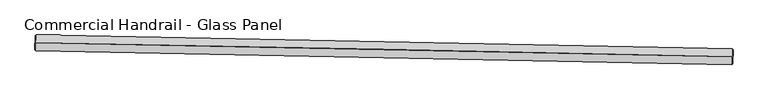
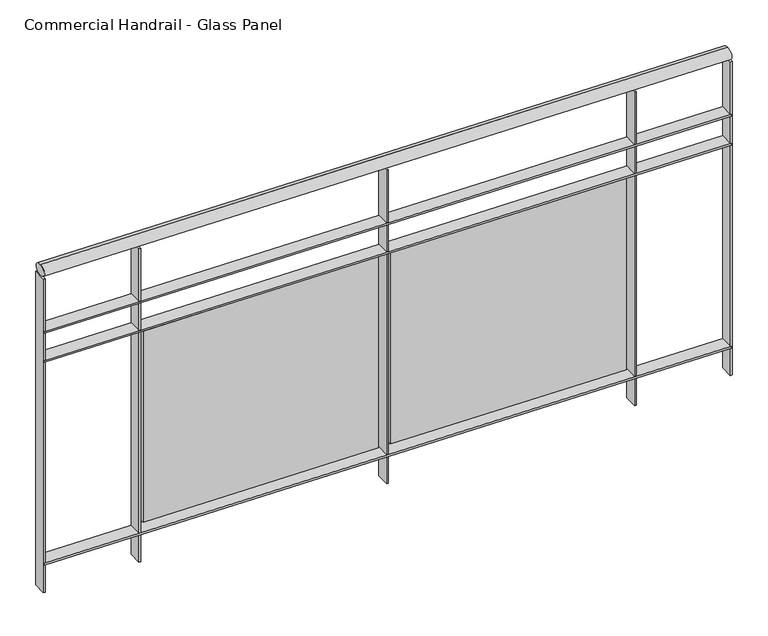
"""IFC4 building model written with IfcOpenShell, lengths in millimetres: railing geometry, Commercial Handrail - Glass Panel."""

from ifc_helpers import new_model, si_unit, point, frame, origin, place, context, project, spatial, polyline, circle_curve, ellipse_curve, trimmed, outline, extrude, source, transform, mapped, element, save
from ifc_brep_helpers import plane_surface, cylinder_surface, revolved_surface, advanced_brep


def commercial_handrail_glass_panel_a0a80586(model_context):
    return source(origin(), model_context, "Body", "SolidModel", [
        advanced_brep(
        [(109450.0847955, -31519.7385661, 16282.5), (111668.0683441, -31564.3090244, 16282.5), (111668.0683441, -31564.3090244, 16317.5), (109450.0847955, -31519.7385661, 16317.5)],
        [
            (0, 1, circle_curve(frame((103958.1605732, -360026.9365691, 16282.5), z_axis=(0.0, 0.0, -1.0), x_axis=(0.023466245609922713, 0.9997246297440985, 0.0)), 328553.1012963)),
            (1, 2, ellipse_curve(frame((111668.0683441, -31564.3090244, 16300.0), z_axis=(-0.9997246297440988, 0.02346624560991631, 0.0), x_axis=(0.0234662456099163, 0.9997246297440986, 0.0)), 25.0, 17.5)),
            (2, 3, circle_curve(frame((103958.1605732, -360026.9365691, 16317.5), z_axis=(0.0, 0.0, 1.0), x_axis=(0.023466245609922713, 0.9997246297440985, 0.0)), 328553.1012963)),
            (3, 0, ellipse_curve(frame((109450.0847955, -31519.7385661, 16300.0), z_axis=(0.999860286531577, -0.016715484348137827, 0.0), x_axis=(0.016715484348137827, 0.999860286531577, 0.0)), 25.0, 17.5)),
            (2, 1, ellipse_curve(frame((111668.0683441, -31564.3090244, 16300.0), z_axis=(-0.9997246297440988, 0.02346624560991631, 0.0), x_axis=(0.0234662456099163, 0.9997246297440986, 0.0)), 25.0, 17.5)),
            (0, 3, ellipse_curve(frame((109450.0847955, -31519.7385661, 16300.0), z_axis=(0.999860286531577, -0.016715484348137827, 0.0), x_axis=(0.016715484348137827, 0.999860286531577, 0.0)), 25.0, 17.5)),
        ],
        [
            revolved_surface(trimmed(ellipse_curve(frame((111668.0683441, -31564.3090244, 16300.0), z_axis=(0.9997246297440985, -0.023466245609922713, 0.0), x_axis=(0.0, 0.0, -1.0)), 17.5, 25.0), [point((111668.0683441, -31564.3090244, 16317.5))], [point((111668.0683441, -31564.3090244, 16282.5))], True, "CARTESIAN"), (103958.1605732, -360026.9365691, 16300.0), (0.0, 0.0, 1.0)),
            revolved_surface(trimmed(ellipse_curve(frame((111668.0683441, -31564.3090244, 16300.0), z_axis=(0.9997246297440985, -0.023466245609922713, 0.0), x_axis=(0.0, 0.0, -1.0)), 17.5, 25.0), [point((111668.0683441, -31564.3090244, 16282.5))], [point((111668.0683441, -31564.3090244, 16317.5))], True, "CARTESIAN"), (103958.1605732, -360026.9365691, 16300.0), (0.0, 0.0, 1.0)),
            plane_surface(frame((111668.0683441, -31564.3090244, 16300.0), z_axis=(0.9997246297440986, -0.023466245609922713, 0.0), x_axis=(0.023466245609922713, 0.9997246297440986, 0.0))),
            plane_surface(frame((109450.0847955, -31519.7385661, 16300.0), z_axis=(-0.999860286531577, 0.016715484348137813, 0.0), x_axis=(0.016715484348137813, 0.999860286531577, 0.0))),
        ],
        [
            (0, [[1, 2, 3, 4]]),
            (1, [[-3, 5, -1, 6]]),
            (2, [[-2, -5]]),
            (3, [[-6, -4]]),
        ],
    ),
        advanced_brep(
        [(109449.7086971, -31542.2354226, 16100.0), (111667.5403536, -31586.8028285, 16100.0), (111668.5963347, -31541.8152202, 16100.0), (109450.4608939, -31497.2417097, 16100.0), (109449.7086971, -31542.2354226, 16094.0), (111667.5403536, -31586.8028285, 16094.0), (109450.4608939, -31497.2417097, 16094.0), (111668.5963347, -31541.8152202, 16094.0)],
        [
            (0, 1, circle_curve(frame((103958.1605732, -360026.9365691, 16100.0), z_axis=(0.0, 0.0, -1.0), x_axis=(0.023466245609922713, 0.9997246297440985, 0.0)), 328530.6012963)),
            (1, 2),
            (2, 3, circle_curve(frame((103958.1605732, -360026.9365691, 16100.0), z_axis=(0.0, 0.0, 1.0), x_axis=(0.023466245609922713, 0.9997246297440985, 0.0)), 328575.6012963)),
            (3, 0),
            (4, 5, circle_curve(frame((103958.1605732, -360026.9365691, 16094.0), z_axis=(0.0, 0.0, -1.0), x_axis=(0.023466245609922713, 0.9997246297440985, 0.0)), 328530.6012963)),
            (5, 1),
            (0, 4),
            (6, 7, circle_curve(frame((103958.1605732, -360026.9365691, 16094.0), z_axis=(0.0, 0.0, -1.0), x_axis=(0.023466245609922713, 0.9997246297440985, 0.0)), 328575.6012963)),
            (7, 5),
            (4, 6),
            (2, 7),
            (6, 3),
        ],
        [
            plane_surface(frame((103958.1605732, -360026.9365691, 16100.0), z_axis=(0.0, 0.0, 1.0), x_axis=(0.023466245609922713, 0.9997246297440985, 0.0))),
            revolved_surface(polyline([(111667.54035359457, -31586.802828550455, 16100.0), (111667.54035359457, -31586.802828550455, 16094.0)]), (103958.1605732, -360026.9365691, 16100.0), (0.0, 0.0, 1.0)),
            plane_surface(frame((103958.1605732, -360026.9365691, 16094.0), z_axis=(0.0, 0.0, -1.0), x_axis=(0.023466245609922713, 0.9997246297440985, 0.0))),
            cylinder_surface(frame((103958.1605732, -360026.9365691, 16100.0), z_axis=(0.0, 0.0, 1.0), x_axis=(0.023466245609922713, 0.9997246297440985, 0.0)), 328575.6012963),
            plane_surface(frame((111668.0683441, -31564.3090244, 16100.0), z_axis=(0.9997246297440986, -0.023466245609922713, 0.0), x_axis=(0.023466245609922713, 0.9997246297440986, 0.0))),
            plane_surface(frame((109450.0847955, -31519.7385661, 16100.0), z_axis=(-0.999860286531577, 0.016715484348137813, 0.0), x_axis=(0.016715484348137813, 0.999860286531577, 0.0))),
        ],
        [
            (0, [[1, 2, 3, 4]]),
            (1, [[5, 6, -1, 7]]),
            (2, [[8, 9, -5, 10]]),
            (3, [[-3, 11, -8, 12]]),
            (4, [[-2, -6, -9, -11]]),
            (5, [[-12, -10, -7, -4]]),
        ],
    ),
        advanced_brep(
        [(109449.7086971, -31542.2354226, 16000.0), (111667.5403536, -31586.8028285, 16000.0), (111668.5963347, -31541.8152202, 16000.0), (109450.4608939, -31497.2417097, 16000.0), (109449.7086971, -31542.2354226, 15994.0), (111667.5403536, -31586.8028285, 15994.0), (109450.4608939, -31497.2417097, 15994.0), (111668.5963347, -31541.8152202, 15994.0)],
        [
            (0, 1, circle_curve(frame((103958.1605732, -360026.9365691, 16000.0), z_axis=(0.0, 0.0, -1.0), x_axis=(0.023466245609922713, 0.9997246297440985, 0.0)), 328530.6012963)),
            (1, 2),
            (2, 3, circle_curve(frame((103958.1605732, -360026.9365691, 16000.0), z_axis=(0.0, 0.0, 1.0), x_axis=(0.023466245609922713, 0.9997246297440985, 0.0)), 328575.6012963)),
            (3, 0),
            (4, 5, circle_curve(frame((103958.1605732, -360026.9365691, 15994.0), z_axis=(0.0, 0.0, -1.0), x_axis=(0.023466245609922713, 0.9997246297440985, 0.0)), 328530.6012963)),
            (5, 1),
            (0, 4),
            (6, 7, circle_curve(frame((103958.1605732, -360026.9365691, 15994.0), z_axis=(0.0, 0.0, -1.0), x_axis=(0.023466245609922713, 0.9997246297440985, 0.0)), 328575.6012963)),
            (7, 5),
            (4, 6),
            (2, 7),
            (6, 3),
        ],
        [
            plane_surface(frame((103958.1605732, -360026.9365691, 16000.0), z_axis=(0.0, 0.0, 1.0), x_axis=(0.023466245609922713, 0.9997246297440985, 0.0))),
            revolved_surface(polyline([(111667.54035359457, -31586.802828550455, 16000.0), (111667.54035359457, -31586.802828550455, 15994.0)]), (103958.1605732, -360026.9365691, 16000.0), (0.0, 0.0, 1.0)),
            plane_surface(frame((103958.1605732, -360026.9365691, 15994.0), z_axis=(0.0, 0.0, -1.0), x_axis=(0.023466245609922713, 0.9997246297440985, 0.0))),
            cylinder_surface(frame((103958.1605732, -360026.9365691, 16000.0), z_axis=(0.0, 0.0, 1.0), x_axis=(0.023466245609922713, 0.9997246297440985, 0.0)), 328575.6012963),
            plane_surface(frame((111668.0683441, -31564.3090244, 16000.0), z_axis=(0.9997246297440986, -0.023466245609922713, 0.0), x_axis=(0.023466245609922713, 0.9997246297440986, 0.0))),
            plane_surface(frame((109450.0847955, -31519.7385661, 16000.0), z_axis=(-0.999860286531577, 0.016715484348137813, 0.0), x_axis=(0.016715484348137813, 0.999860286531577, 0.0))),
        ],
        [
            (0, [[1, 2, 3, 4]]),
            (1, [[5, 6, -1, 7]]),
            (2, [[8, 9, -5, 10]]),
            (3, [[-3, 11, -8, 12]]),
            (4, [[-2, -6, -9, -11]]),
            (5, [[-12, -10, -7, -4]]),
        ],
    ),
        advanced_brep(
        [(109449.7086971, -31542.2354226, 15300.0), (111667.5403536, -31586.8028285, 15300.0), (111668.5963347, -31541.8152202, 15300.0), (109450.4608939, -31497.2417097, 15300.0), (109449.7086971, -31542.2354226, 15294.0), (111667.5403536, -31586.8028285, 15294.0), (109450.4608939, -31497.2417097, 15294.0), (111668.5963347, -31541.8152202, 15294.0)],
        [
            (0, 1, circle_curve(frame((103958.1605732, -360026.9365691, 15300.0), z_axis=(0.0, 0.0, -1.0), x_axis=(0.023466245609922713, 0.9997246297440985, 0.0)), 328530.6012963)),
            (1, 2),
            (2, 3, circle_curve(frame((103958.1605732, -360026.9365691, 15300.0), z_axis=(0.0, 0.0, 1.0), x_axis=(0.023466245609922713, 0.9997246297440985, 0.0)), 328575.6012963)),
            (3, 0),
            (4, 5, circle_curve(frame((103958.1605732, -360026.9365691, 15294.0), z_axis=(0.0, 0.0, -1.0), x_axis=(0.023466245609922713, 0.9997246297440985, 0.0)), 328530.6012963)),
            (5, 1),
            (0, 4),
            (6, 7, circle_curve(frame((103958.1605732, -360026.9365691, 15294.0), z_axis=(0.0, 0.0, -1.0), x_axis=(0.023466245609922713, 0.9997246297440985, 0.0)), 328575.6012963)),
            (7, 5),
            (4, 6),
            (2, 7),
            (6, 3),
        ],
        [
            plane_surface(frame((103958.1605732, -360026.9365691, 15300.0), z_axis=(0.0, 0.0, 1.0), x_axis=(0.023466245609922713, 0.9997246297440985, 0.0))),
            revolved_surface(polyline([(111667.54035359457, -31586.802828550455, 15300.0), (111667.54035359457, -31586.802828550455, 15294.0)]), (103958.1605732, -360026.9365691, 15300.0), (0.0, 0.0, 1.0)),
            plane_surface(frame((103958.1605732, -360026.9365691, 15294.0), z_axis=(0.0, 0.0, -1.0), x_axis=(0.023466245609922713, 0.9997246297440985, 0.0))),
            cylinder_surface(frame((103958.1605732, -360026.9365691, 15300.0), z_axis=(0.0, 0.0, 1.0), x_axis=(0.023466245609922713, 0.9997246297440985, 0.0)), 328575.6012963),
            plane_surface(frame((111668.0683441, -31564.3090244, 15300.0), z_axis=(0.9997246297440986, -0.023466245609922713, 0.0), x_axis=(0.023466245609922713, 0.9997246297440986, 0.0))),
            plane_surface(frame((109450.0847955, -31519.7385661, 15300.0), z_axis=(-0.999860286531577, 0.016715484348137813, 0.0), x_axis=(0.016715484348137813, 0.999860286531577, 0.0))),
        ],
        [
            (0, [[1, 2, 3, 4]]),
            (1, [[5, 6, -1, 7]]),
            (2, [[8, 9, -5, 10]]),
            (3, [[-3, 11, -8, 12]]),
            (4, [[-2, -6, -9, -11]]),
            (5, [[-12, -10, -7, -4]]),
        ],
    ),
        extrude(outline(polyline([(109762.6536892, -31502.6092569), (109761.8591469, -31547.602242), (109755.8600823, -31547.496303), (109756.6546246, -31502.503318), (109762.6536892, -31502.6092569)])), frame((0.0, 0.0, 15200.0), z_axis=(0.0, 0.0, 1.0), x_axis=(1.0, 0.0, 0.0)), (0.0, 0.0, 1.0), 1082.1192282),
        extrude(outline(polyline([(110539.0092025, -31545.529787), (109779.1445776, -31531.185736), (109779.3710626, -31519.1878735), (110539.2356875, -31533.5319245), (110539.0092025, -31545.529787)])), frame((0.0, 0.0, 15320.0), z_axis=(0.0, 0.0, 1.0), x_axis=(1.0, 0.0, 0.0)), (0.0, 0.0, 1.0), 660.0),
        extrude(outline(polyline([(110562.5656296, -31517.7165918), (110561.6615355, -31562.7075088), (110555.6627466, -31562.5869629), (110556.5668406, -31517.5960459), (110562.5656296, -31517.7165918)])), frame((0.0, 0.0, 15200.0), z_axis=(0.0, 0.0, 1.0), x_axis=(1.0, 0.0, 0.0)), (0.0, 0.0, 1.0), 1082.1192282),
        extrude(outline(polyline([(111338.8143335, -31562.5273551), (110578.9868877, -31546.33314), (110579.2425858, -31534.3358646), (111339.0700316, -31550.5300797), (111338.8143335, -31562.5273551)])), frame((0.0, 0.0, 15320.0), z_axis=(0.0, 0.0, 1.0), x_axis=(1.0, 0.0, 0.0)), (0.0, 0.0, 1.0), 660.0),
        extrude(outline(polyline([(111362.4384136, -31534.7716003), (111361.4247731, -31579.7601825), (111355.4262954, -31579.6250305), (111356.4399359, -31534.6364482), (111362.4384136, -31534.7716003)])), frame((0.0, 0.0, 15200.0), z_axis=(0.0, 0.0, 1.0), x_axis=(1.0, 0.0, 0.0)), (0.0, 0.0, 1.0), 1082.1192282),
        extrude(outline(polyline([(109453.4604747, -31497.2918561), (109452.7082779, -31542.285569), (109446.7091162, -31542.1852761), (109447.461313, -31497.1915632), (109453.4604747, -31497.2918561)])), frame((0.0, 0.0, 15200.0), z_axis=(0.0, 0.0, 1.0), x_axis=(1.0, 0.0, 0.0)), (0.0, 0.0, 1.0), 1082.1192282),
        extrude(outline(polyline([(111671.5955086, -31541.8856189), (111670.5395275, -31586.8732273), (111664.5411797, -31586.7324298), (111665.5971608, -31541.7448215), (111671.5955086, -31541.8856189)])), frame((0.0, 0.0, 15200.0), z_axis=(0.0, 0.0, 1.0), x_axis=(1.0, 0.0, 0.0)), (0.0, 0.0, 1.0), 1082.1192282),
    ])


if __name__ == "__main__":
    model = new_model("IFC4")
    model_context = context("Model", 3, world=origin())
    ifc_project = project(units=[si_unit("LENGTHUNIT", "METRE", prefix="MILLI")], contexts=[model_context])
    site = spatial("IfcSite", under=ifc_project)
    building = spatial("IfcBuilding", under=site)
    placement = place(None, origin())
    commercial_handrail_glass_panel_shape = commercial_handrail_glass_panel_a0a80586(model_context)
    element("IfcRailing", 1, ObjectType="Commercial Handrail - Glass Panel", at=placement, inside=building, context=model_context, shape_type="MappedRepresentation", body=[
        mapped(commercial_handrail_glass_panel_shape, transform((0.0, 0.0, 0.0), x_axis=(1.0, 0.0, 0.0), y_axis=(0.0, 1.0, 0.0), z_axis=(0.0, 0.0, 1.0))),
    ])
    save(model, "model.ifc")
